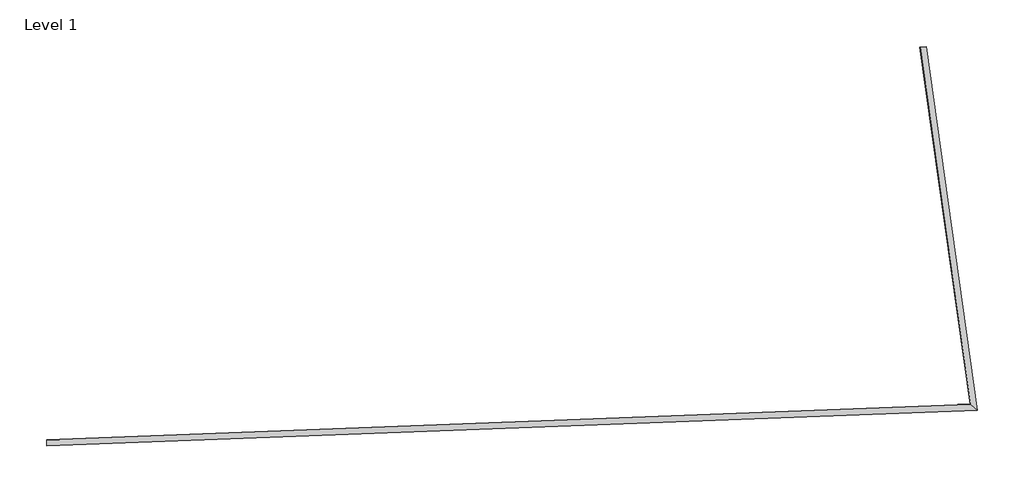
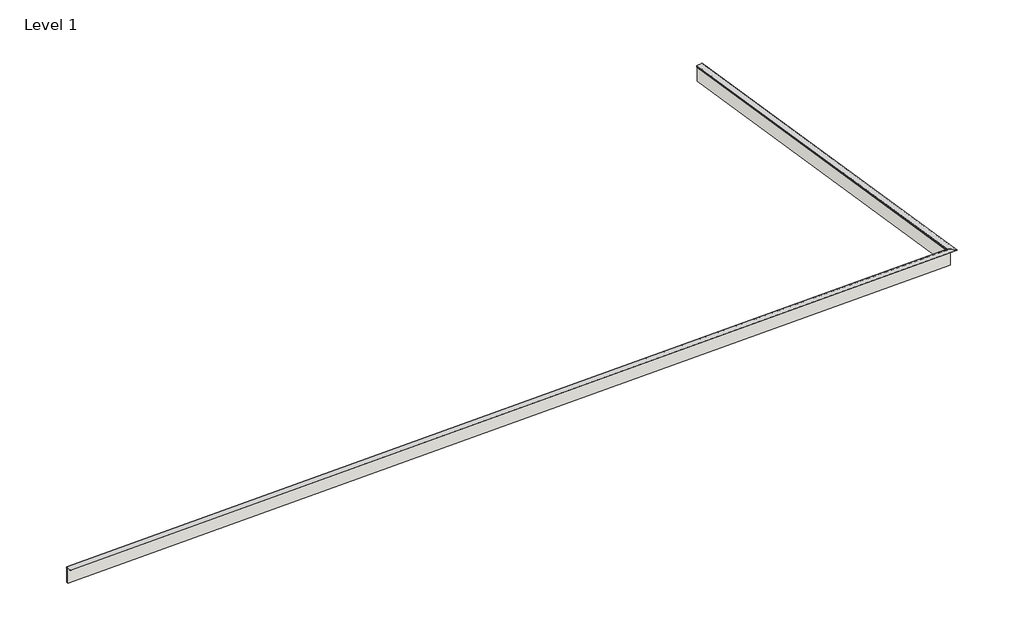
# One storey: 2 proxies, 2 walls.
"""IFC4 building model written with IfcOpenShell, lengths in millimetres."""

from ifc_helpers import new_model, si_unit, frame, origin, place, context, project, spatial, polyline, circle_curve, ellipse_curve, outline, extrude, faceted_brep, element, save
from ifc_brep_helpers import plane_surface, cylinder_surface, advanced_brep

model = new_model("IFC4")

# Units and contexts
model_context = context("Model", 3, world=origin())
ifc_project = project(units=[si_unit("LENGTHUNIT", "METRE", prefix="MILLI")], contexts=[model_context])

# Site, building, storey
site = spatial("IfcSite", under=ifc_project)
building = spatial("IfcBuilding", under=site)
storey = spatial("IfcBuildingStorey", under=building, Name="Level 1", Elevation=0.0)

# Proxies
placement = place(None, origin())
element("IfcBuildingElementProxy", 1, Name="Wall Sweeps", at=placement, inside=storey, context=model_context, shape_type="AdvancedBrep", body=[
    advanced_brep(
    [(235256.5091304, 159484.2105734, 1080.0526992), (234817.7628496, 159851.0122693, 1084.4998319), (234817.7628496, 159851.0122693, 1005.9302561), (234796.7665995, 159868.5656035, 987.5845518), (234804.4748769, 159862.1213114, 980.8493597), (234817.3220058, 159851.3808245, 992.0746798), (234821.1761445, 159848.1586784, 988.7070838), (234807.0443027, 159859.973214, 976.3592316), (234801.9054511, 159864.2694088, 976.3592316), (234791.627748, 159872.8617983, 985.3394878), (234791.627748, 159872.8617983, 989.8296158), (234812.3122744, 159855.5690719, 1007.9029482), (234812.3122744, 159855.5690719, 1086.0938358), (234815.9613742, 159852.518343, 1089.2688073), (235311.0916279, 159438.5783856, 1084.2622664), (235311.0148823, 159438.6425467, 1079.5002289), (235261.9597055, 159479.6537707, 1079.9974522), (235261.9597055, 159479.6537707, 1054.1), (235256.5091304, 159484.2105734, 1054.1), (169840.9155422, 156973.428458, 1080.0526992), (169840.9155422, 156973.428458, 1054.1), (169841.0982021, 156968.6694621, 1054.1), (169841.0982021, 156968.6694621, 1079.9974522), (169842.7421406, 156925.8384994, 1079.5002289), (169842.7447125, 156925.7714914, 1084.2622664), (169826.1518928, 157358.0786784, 1089.2688073), (169826.029604, 157361.2647735, 1086.0938358), (169826.029604, 157361.2647735, 1007.9029482), (169825.3364236, 157379.3248079, 989.8296158), (169825.3364236, 157379.3248079, 985.3394878), (169825.6808503, 157370.3511593, 976.3592316), (169825.8530636, 157365.8643349, 976.3592316), (169826.3266503, 157353.525568, 988.7070838), (169826.1974903, 157356.8906863, 992.0746798), (169825.7669569, 157368.1077471, 980.8493597), (169825.5086369, 157374.8379836, 987.5845518), (169826.2122639, 157356.5057776, 1005.9302561), (169826.2122639, 157356.5057776, 1084.4998319)],
    [
        (0, 1),
        (1, 2),
        (2, 3),
        (3, 4),
        (4, 5),
        (5, 6),
        (6, 7),
        (7, 8, ellipse_curve(frame((234804.4748769, 159862.1213114, 978.6042957), z_axis=(0.6414011200988584, 0.767205711094443, 0.0), x_axis=(0.7672057110944428, -0.6414011200988586, 0.0)), 4.7363005, 3.175)),
        (8, 9),
        (9, 10, ellipse_curve(frame((234794.1971737, 159870.7137009, 987.5845518), z_axis=(0.6414011200988584, 0.767205711094443, 0.0), x_axis=(0.7672057110944428, -0.6414011200988586, 0.0)), 4.7363005, 3.175)),
        (10, 11),
        (11, 12),
        (12, 13, ellipse_curve(frame((234815.9459912, 159852.5312035, 1086.0938358), z_axis=(0.6414011200988584, 0.767205711094443, 0.0), x_axis=(0.7672057110944428, -0.6414011200988586, 0.0)), 4.7363005, 3.175)),
        (13, 14),
        (14, 15),
        (15, 16),
        (16, 17),
        (17, 18),
        (18, 0),
        (19, 20),
        (20, 21),
        (21, 22),
        (22, 23),
        (23, 24),
        (24, 25),
        (25, 26, circle_curve(frame((169826.1513773, 157358.0921095, 1086.0938358), z_axis=(-0.9992642234154241, -0.03835377167854052, 0.0), x_axis=(0.00016236688832887378, -0.004230285979021737, 0.999991039118616)), 3.175)),
        (26, 27),
        (27, 28),
        (28, 29, circle_curve(frame((169825.4225302, 157377.0813958, 987.5845518), z_axis=(-0.9992642234154241, -0.03835377167854051, 0.0), x_axis=(-0.02712021203790263, 0.7065865085722297, 0.7071067811884749)), 3.175)),
        (29, 30),
        (30, 31, circle_curve(frame((169825.7669569, 157368.1077471, 978.6042957), z_axis=(-0.9992642234154241, -0.03835377167854052, 0.0), x_axis=(-0.02712021203763229, 0.7065865085651862, -0.7071067811955235)), 3.175)),
        (31, 32),
        (32, 33),
        (33, 34),
        (34, 35),
        (35, 36),
        (36, 37),
        (37, 19),
        (0, 19),
        (37, 1),
        (36, 2),
        (35, 3),
        (34, 4),
        (33, 5),
        (32, 6),
        (31, 7),
        (30, 8),
        (29, 9),
        (28, 10),
        (27, 11),
        (26, 12),
        (25, 13),
        (24, 14),
        (23, 15),
        (22, 16),
        (21, 17),
        (20, 18),
    ],
    [
        plane_surface(frame((234825.0302832, 159844.9365324, 1358.9), z_axis=(0.6414011200988584, 0.767205711094443, 0.0), x_axis=(-0.767205711094443, 0.6414011200988584, 0.0))),
        plane_surface(frame((169826.4558103, 157350.1604498, 628.3288424), z_axis=(-0.999264223415424, -0.038353771678541884, 0.0), x_axis=(0.038353771678541884, -0.999264223415424, 0.0))),
        plane_surface(frame((235256.5091304, 159484.2105734, 1080.0526992), z_axis=(-0.00044489020246615536, 0.01159111198759143, -0.9999327218346237), x_axis=(-0.999264223415424, -0.03835377167854033, 0.0))),
        plane_surface(frame((234817.7628496, 159851.0122693, 1084.4998319), z_axis=(0.03835377167854006, -0.9992642234154241, 0.0), x_axis=(-0.9992642234154241, -0.03835377167854006, 0.0))),
        plane_surface(frame((234817.7628496, 159851.0122693, 1005.9302561), z_axis=(0.02712021203783999, -0.7065865085705967, -0.7071067811901093), x_axis=(-0.9992642234154241, -0.038353771678540566, 0.0))),
        plane_surface(frame((234796.7665995, 159868.5656035, 987.5845518), z_axis=(0.027120212038348468, -0.7065865085838495, 0.7071067811768466), x_axis=(-0.999264223415424, -0.038353771678540295, 0.0))),
        plane_surface(frame((234804.4748769, 159862.1213114, 980.8493597), z_axis=(-0.027120212038088197, 0.706586508577064, 0.7071067811836371), x_axis=(-0.999264223415424, -0.03835377167854054, 0.0))),
        plane_surface(frame((234817.3220058, 159851.3808245, 992.0746798), z_axis=(0.027120212037976262, -0.7065865085741565, 0.7071067811865467), x_axis=(-0.9992642234154241, -0.03835377167854006, 0.0))),
        plane_surface(frame((234821.1761445, 159848.1586784, 988.7070838), z_axis=(0.027120212038280755, -0.7065865085820873, -0.7071067811786099), x_axis=(-0.999264223415424, -0.038353771678540184, 0.0))),
        cylinder_surface(frame((234824.3414298, 159862.8838297, 978.6042957), z_axis=(0.9992642234154241, 0.03835377167854052, 0.0), x_axis=(-0.02712021203763229, 0.7065865085651862, -0.7071067811955235)), 3.175),
        plane_surface(frame((234801.9054511, 159864.2694088, 976.3592316), z_axis=(-0.02712021203755789, 0.7065865085632498, -0.7071067811974614), x_axis=(-0.999264223415424, -0.038353771678540406, 0.0))),
        cylinder_surface(frame((234823.9970031, 159871.8574783, 987.5845518), z_axis=(0.9992642234154241, 0.03835377167854051, 0.0), x_axis=(-0.02712021203790263, 0.7065865085722297, 0.7071067811884749)), 3.175),
        plane_surface(frame((234791.627748, 159872.8617983, 989.8296158), z_axis=(-0.027120212037837887, 0.706586508570543, 0.7071067811901629), x_axis=(-0.999264223415424, -0.03835377167854051, 0.0))),
        plane_surface(frame((234812.3122744, 159855.5690719, 1007.9029482), z_axis=(-0.038353771678540136, 0.999264223415424, 0.0), x_axis=(-0.999264223415424, -0.038353771678540136, 0.0))),
        cylinder_surface(frame((234824.7258501, 159852.8681921, 1086.0938358), z_axis=(0.9992642234154241, 0.03835377167854052, 0.0), x_axis=(0.00016236688832887378, -0.004230285979021737, 0.999991039118616)), 3.175),
        plane_surface(frame((234815.9613742, 159852.518343, 1089.2688073), z_axis=(0.00044381773609766757, -0.011563170087070442, 0.9999330458202463), x_axis=(-0.9992642234154241, -0.03835377167854036, 0.0))),
        plane_surface(frame((235311.0916279, 159438.5783856, 1084.2622664), z_axis=(0.03834996960980913, -0.9991651648067961, -0.014080243873413334), x_axis=(-0.999264223415424, -0.038353771678540385, 0.0))),
        plane_surface(frame((235311.0148823, 159438.6425467, 1079.5002289), z_axis=(-0.00044489020246615775, 0.01159111198759143, -0.9999327218346237), x_axis=(-0.999264223415424, -0.03835377167854054, 0.0))),
        plane_surface(frame((235261.9597055, 159479.6537707, 1079.9974522), z_axis=(0.038353771678540205, -0.999264223415424, 0.0), x_axis=(-0.999264223415424, -0.038353771678540205, 0.0))),
        plane_surface(frame((235261.9597055, 159479.6537707, 1054.1), z_axis=(0.0, 0.0, -1.0), x_axis=(-0.999264223415424, -0.038353771678540205, 0.0))),
        plane_surface(frame((235256.5091304, 159484.2105734, 1054.1), z_axis=(-0.03835377167854031, 0.999264223415424, 0.0), x_axis=(-0.999264223415424, -0.03835377167854031, 0.0))),
    ],
    [
        (0, [[1, 2, 3, 4, 5, 6, 7, 8, 9, 10, 11, 12, 13, 14, 15, 16, 17, 18, 19]]),
        (1, [[20, 21, 22, 23, 24, 25, 26, 27, 28, 29, 30, 31, 32, 33, 34, 35, 36, 37, 38]]),
        (2, [[-1, 39, -38, 40]]),
        (3, [[-2, -40, -37, 41]]),
        (4, [[-3, -41, -36, 42]]),
        (5, [[-4, -42, -35, 43]]),
        (6, [[-5, -43, -34, 44]]),
        (7, [[-6, -44, -33, 45]]),
        (8, [[-7, -45, -32, 46]]),
        (9, [[-8, -46, -31, 47]]),
        (10, [[-9, -47, -30, 48]]),
        (11, [[-10, -48, -29, 49]]),
        (12, [[-11, -49, -28, 50]]),
        (13, [[-12, -50, -27, 51]]),
        (14, [[-13, -51, -26, 52]]),
        (15, [[-14, -52, -25, 53]]),
        (16, [[-15, -53, -24, 54]]),
        (17, [[-16, -54, -23, 55]]),
        (18, [[-17, -55, -22, 56]]),
        (19, [[-18, -56, -21, 57]]),
        (20, [[-19, -57, -20, -39]]),
    ],
),
])
element("IfcBuildingElementProxy", 2, Name="Wall Sweeps", at=placement, inside=storey, context=model_context, shape_type="AdvancedBrep", body=[
    advanced_brep(
    [(235256.5091304, 159484.2105734, 1080.0526992), (235256.5091304, 159484.2105734, 1054.1), (235261.9597055, 159479.6537707, 1054.1), (235261.9597055, 159479.6537707, 1079.9974522), (235311.0148823, 159438.6425467, 1079.5002289), (235311.0916279, 159438.5783856, 1084.2622664), (234815.9613742, 159852.518343, 1089.2688073), (234812.3122744, 159855.5690719, 1086.0938358), (234812.3122744, 159855.5690719, 1007.9029482), (234791.627748, 159872.8617983, 989.8296158), (234791.627748, 159872.8617983, 985.3394878), (234801.9054511, 159864.2694088, 976.3592316), (234807.0443027, 159859.973214, 976.3592316), (234821.1761445, 159848.1586784, 988.7070838), (234817.3220058, 159851.3808245, 992.0746798), (234804.4748769, 159862.1213114, 980.8493597), (234796.7665995, 159868.5656035, 987.5845518), (234817.7628496, 159851.0122693, 1005.9302561), (234817.7628496, 159851.0122693, 1084.4998319), (231658.7433751, 185053.8603809, 1080.0526992), (231279.1233855, 185000.4461258, 1084.4998319), (231279.1233855, 185000.4461258, 1005.9302561), (231260.9566304, 184997.8899809, 987.5845518), (231267.6261255, 184998.8284091, 980.8493597), (231278.7419507, 185000.3924562, 992.0746798), (231282.0766982, 185000.8616703, 988.7070838), (231269.8492906, 184999.1412185, 976.3592316), (231265.4029605, 184998.5155997, 976.3592316), (231256.5103003, 184997.2643621, 985.3394878), (231256.5103003, 184997.2643621, 989.8296158), (231274.4073403, 184999.7825568, 1007.9029482), (231274.4073403, 184999.7825568, 1086.0938358), (231277.5646804, 185000.2268089, 1089.2688073), (231705.9702305, 185060.5054138, 1084.2622664), (231705.9038273, 185060.4960705, 1079.5002289), (231663.4594204, 185054.5239499, 1079.9974522), (231663.4594204, 185054.5239499, 1054.1), (231658.7433751, 185053.8603809, 1054.1)],
    [
        (0, 1),
        (1, 2),
        (2, 3),
        (3, 4),
        (4, 5),
        (5, 6),
        (6, 7, ellipse_curve(frame((234815.9459912, 159852.5312035, 1086.0938358), z_axis=(-0.6414011200988584, -0.767205711094443, 0.0), x_axis=(0.7672057110944431, -0.6414011200988583, 0.0)), 4.7363005, 3.175)),
        (7, 8),
        (8, 9),
        (9, 10, ellipse_curve(frame((234794.1971737, 159870.7137009, 987.5845518), z_axis=(-0.6414011200988584, -0.767205711094443, 0.0), x_axis=(0.7672057110944431, -0.6414011200988583, 0.0)), 4.7363005, 3.175)),
        (10, 11),
        (11, 12, ellipse_curve(frame((234804.4748769, 159862.1213114, 978.6042957), z_axis=(-0.6414011200988584, -0.767205711094443, 0.0), x_axis=(0.7672057110944431, -0.6414011200988583, 0.0)), 4.7363005, 3.175)),
        (12, 13),
        (13, 14),
        (14, 15),
        (15, 16),
        (16, 17),
        (17, 18),
        (18, 0),
        (19, 20),
        (20, 21),
        (21, 22),
        (22, 23),
        (23, 24),
        (24, 25),
        (25, 26),
        (26, 27, circle_curve(frame((231267.6261255, 184998.8284091, 978.6042957), z_axis=(-0.13933206549490082, 0.9902457147218182, 0.0), x_axis=(-0.7002094599118288, -0.09852264834692191, -0.7071067811955235)), 3.175)),
        (27, 28),
        (28, 29, circle_curve(frame((231258.7334654, 184997.5771715, 987.5845518), z_axis=(-0.13933206549490082, 0.9902457147218182, 0.0), x_axis=(-0.7002094599188087, -0.098522648347904, 0.7071067811884749)), 3.175)),
        (29, 30),
        (30, 31),
        (31, 32, circle_curve(frame((231277.5513704, 185000.2249361, 1086.0938358), z_axis=(-0.13933206549490082, 0.9902457147218183, 0.0), x_axis=(0.004192107016957181, 0.0005898484797910954, 0.999991039118616)), 3.175)),
        (32, 33),
        (33, 34),
        (34, 35),
        (35, 36),
        (36, 37),
        (37, 19),
        (0, 19),
        (37, 1),
        (36, 2),
        (35, 3),
        (34, 4),
        (33, 5),
        (32, 6),
        (31, 7),
        (30, 8),
        (29, 9),
        (28, 10),
        (27, 11),
        (26, 12),
        (25, 13),
        (24, 14),
        (23, 15),
        (22, 16),
        (21, 17),
        (20, 18),
    ],
    [
        plane_surface(frame((234825.0302832, 159844.9365324, 749.3), z_axis=(-0.6414011200988584, -0.767205711094443, 0.0), x_axis=(-0.767205711094443, 0.6414011200988584, 0.0))),
        plane_surface(frame((231285.4114458, 185001.3308844, 1479.8711576), z_axis=(-0.13933206549495314, 0.990245714721811, 0.0), x_axis=(0.990245714721811, 0.13933206549495314, 0.0))),
        plane_surface(frame((235256.5091304, 159484.2105734, 1080.0526992), z_axis=(-0.9902457147218182, -0.13933206549490157, 0.0), x_axis=(-0.13933206549490157, 0.9902457147218182, 0.0))),
        plane_surface(frame((235256.5091304, 159484.2105734, 1054.1), z_axis=(0.0, 0.0, -1.0), x_axis=(-0.13933206549490137, 0.9902457147218182, 0.0))),
        plane_surface(frame((235261.9597055, 159479.6537707, 1054.1), z_axis=(0.9902457147218181, 0.1393320654949018, 0.0), x_axis=(-0.1393320654949018, 0.9902457147218181, 0.0))),
        plane_surface(frame((235261.9597055, 159479.6537707, 1079.9974522), z_axis=(-0.011486500472659613, -0.0016162027387449265, -0.9999327218346237), x_axis=(-0.1393320654949018, 0.9902457147218181, 0.0))),
        plane_surface(frame((235311.0148823, 159438.6425467, 1079.5002289), z_axis=(0.9901475501319114, 0.1393182532916603, -0.014080243873413337), x_axis=(-0.1393320654949012, 0.9902457147218182, 0.0))),
        plane_surface(frame((235311.0916279, 159438.5783856, 1084.2622664), z_axis=(0.011458810751959394, 0.001612306669394881, 0.9999330458202463), x_axis=(-0.13933206549490154, 0.9902457147218182, 0.0))),
        cylinder_surface(frame((234817.1702078, 159843.8305841, 1086.0938358), z_axis=(0.13933206549490082, -0.9902457147218183, 0.0), x_axis=(0.004192107016957181, 0.0005898484797910954, 0.999991039118616)), 3.175),
        plane_surface(frame((234812.3122744, 159855.5690719, 1086.0938358), z_axis=(-0.9902457147218182, -0.1393320654949017, 0.0), x_axis=(-0.1393320654949017, 0.9902457147218182, 0.0))),
        plane_surface(frame((234812.3122744, 159855.5690719, 1007.9029482), z_axis=(-0.700209459917137, -0.09852264834766944, 0.7071067811901629), x_axis=(-0.1393320654949017, 0.9902457147218182, 0.0))),
        cylinder_surface(frame((234798.3523028, 159841.1828195, 987.5845518), z_axis=(0.13933206549490085, -0.9902457147218184, 0.0), x_axis=(-0.7002094599188087, -0.098522648347904, 0.7071067811884749)), 3.175),
        plane_surface(frame((234791.627748, 159872.8617983, 985.3394878), z_axis=(-0.7002094599099097, -0.09852264834665227, -0.7071067811974616), x_axis=(-0.13933206549490135, 0.9902457147218182, 0.0))),
        cylinder_surface(frame((234807.2449629, 159842.4340571, 978.6042957), z_axis=(0.13933206549490085, -0.9902457147218184, 0.0), x_axis=(-0.7002094599118288, -0.09852264834692191, -0.7071067811955235)), 3.175),
        plane_surface(frame((234807.0443027, 159859.973214, 976.3592316), z_axis=(0.7002094599285771, 0.09852264834927886, -0.7071067811786101), x_axis=(-0.13933206549490135, 0.9902457147218182, 0.0))),
        plane_surface(frame((234821.1761445, 159848.1586784, 988.7070838), z_axis=(0.7002094599207179, 0.0985226483481727, 0.7071067811865467), x_axis=(-0.13933206549490088, 0.9902457147218183, 0.0))),
        plane_surface(frame((234817.3220058, 159851.3808245, 992.0746798), z_axis=(-0.700209459923599, -0.09852264834857899, 0.7071067811836372), x_axis=(-0.13933206549490215, 0.9902457147218181, 0.0))),
        plane_surface(frame((234804.4748769, 159862.1213114, 980.8493597), z_axis=(0.7002094599303236, 0.09852264834952447, 0.7071067811768468), x_axis=(-0.13933206549490118, 0.9902457147218183, 0.0))),
        plane_surface(frame((234796.7665995, 159868.5656035, 987.5845518), z_axis=(0.7002094599171902, 0.09852264834767689, -0.7071067811901094), x_axis=(-0.13933206549490168, 0.9902457147218182, 0.0))),
        plane_surface(frame((234817.7628496, 159851.0122693, 1005.9302561), z_axis=(0.9902457147218182, 0.13933206549490176, 0.0), x_axis=(-0.13933206549490176, 0.9902457147218182, 0.0))),
        plane_surface(frame((234817.7628496, 159851.0122693, 1084.4998319), z_axis=(-0.011486500472659615, -0.001616202738744926, -0.9999327218346238), x_axis=(-0.13933206549490176, 0.9902457147218182, 0.0))),
    ],
    [
        (0, [[1, 2, 3, 4, 5, 6, 7, 8, 9, 10, 11, 12, 13, 14, 15, 16, 17, 18, 19]]),
        (1, [[20, 21, 22, 23, 24, 25, 26, 27, 28, 29, 30, 31, 32, 33, 34, 35, 36, 37, 38]]),
        (2, [[-1, 39, -38, 40]]),
        (3, [[-2, -40, -37, 41]]),
        (4, [[-3, -41, -36, 42]]),
        (5, [[-4, -42, -35, 43]]),
        (6, [[-5, -43, -34, 44]]),
        (7, [[-6, -44, -33, 45]]),
        (8, [[-7, -45, -32, 46]]),
        (9, [[-8, -46, -31, 47]]),
        (10, [[-9, -47, -30, 48]]),
        (11, [[-10, -48, -29, 49]]),
        (12, [[-11, -49, -28, 50]]),
        (13, [[-12, -50, -27, 51]]),
        (14, [[-13, -51, -26, 52]]),
        (15, [[-14, -52, -25, 53]]),
        (16, [[-15, -53, -24, 54]]),
        (17, [[-16, -54, -23, 55]]),
        (18, [[-17, -55, -22, 56]]),
        (19, [[-18, -56, -21, 57]]),
        (20, [[-19, -57, -20, -39]]),
    ],
),
])

# Walls
element("IfcWall", 3, ObjectType="Exterior_Parapet Wall", at=placement, inside=storey, context=model_context, shape_type="Brep", body=[
    faceted_brep([(234946.2142732, 159849.5878178, -101.6), (234825.0302832, 159844.9365324, -101.6), (169826.4558103, 157350.1604498, -101.6), (169826.4558103, 157350.1604498, 1054.1), (234825.0302832, 159844.9365324, 1054.1), (234946.2142732, 159849.5878178, 1054.1), (234963.1115214, 159729.4975313, -101.6), (234963.1115214, 159729.4975313, 1054.1), (169831.0831929, 157229.5992212, 1054.1), (169831.0831929, 157229.5992212, -101.6)], [[[0, 1, 2, 3, 4, 5]], [[6, 7, 8, 9]], [[2, 1, 0, 6, 9]], [[3, 2, 9, 8]], [[5, 4, 3, 8, 7]], [[0, 5, 7, 6]]]),
])
element("IfcWall", 4, ObjectType="Exterior_Parapet Wall", at=placement, inside=storey, context=model_context, shape_type="SweptSolid", body=[
    extrude(outline(polyline([(231404.8845913, 185018.1412981), (234946.2142732, 159849.5878178), (234825.0302832, 159844.9365324), (231285.4114458, 185001.3308844), (231404.8845913, 185018.1412981)])), frame((0.0, 0.0, -101.6), z_axis=(0.0, 0.0, 1.0), x_axis=(1.0, 0.0, 0.0)), (0.0, 0.0, 1.0), 1155.7),
])

save(model, "model.ifc")
